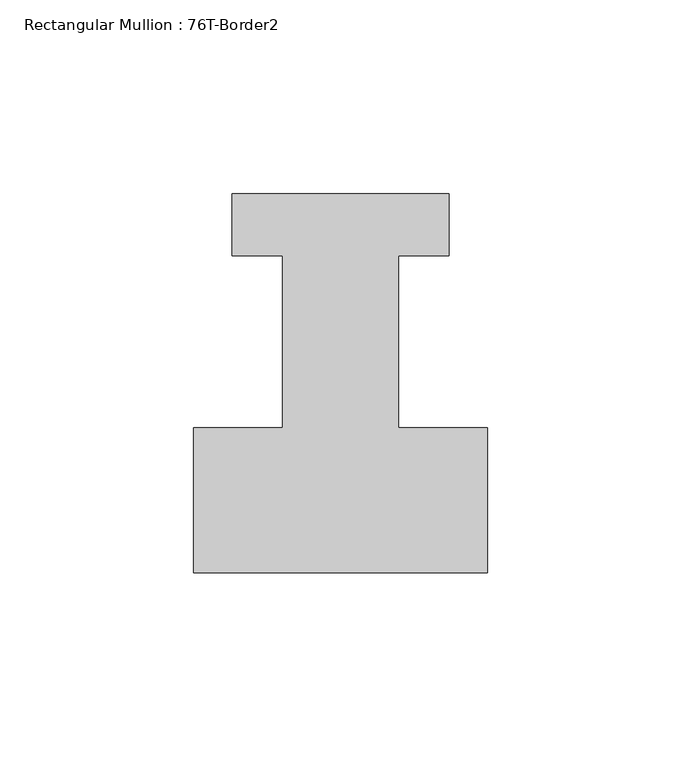
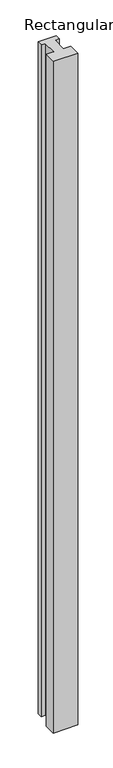
"""IFC4 building model written with IfcOpenShell, lengths in millimetres: member geometry, Rectangular Mullion : 76T-Border2."""

from ifc_helpers import new_model, si_unit, frame, origin, place, context, project, spatial, polyline, outline, extrude, source, transform, mapped, element, save


def rectangular_mullion_76t_border2_b0a9a502(model_context):
    return source(origin(), model_context, "Body", "SweptSolid", [
        extrude(outline(polyline([(0.0, -38.0), (-76.0, -38.0), (-76.0, -0.5), (-53.0, -0.5), (-53.0, 44.0), (-66.0, 44.0), (-66.0, 60.0), (-10.0, 60.0), (-10.0, 44.0), (-23.0, 44.0), (-23.0, -0.5), (0.0, -0.5), (0.0, -38.0)])), frame((0.0, 0.0, -2200.0), z_axis=(0.0, 0.0, 1.0), x_axis=(1.0, 0.0, 0.0)), (0.0, 0.0, 1.0), 2200.0),
    ])


if __name__ == "__main__":
    model = new_model("IFC4")
    model_context = context("Model", 3, world=origin())
    ifc_project = project(units=[si_unit("LENGTHUNIT", "METRE", prefix="MILLI")], contexts=[model_context])
    site = spatial("IfcSite", under=ifc_project)
    building = spatial("IfcBuilding", under=site)
    placement = place(None, origin())
    rectangular_mullion_76t_border2_shape = rectangular_mullion_76t_border2_b0a9a502(model_context)
    element("IfcMember", 1, ObjectType="Rectangular Mullion : 76T-Border2", at=placement, inside=building, context=model_context, shape_type="MappedRepresentation", body=[
        mapped(rectangular_mullion_76t_border2_shape, transform((0.0, 0.0, 0.0), x_axis=(1.0, 0.0, 0.0), y_axis=(0.0, 1.0, 0.0), z_axis=(0.0, 0.0, 1.0))),
    ])
    save(model, "model.ifc")
